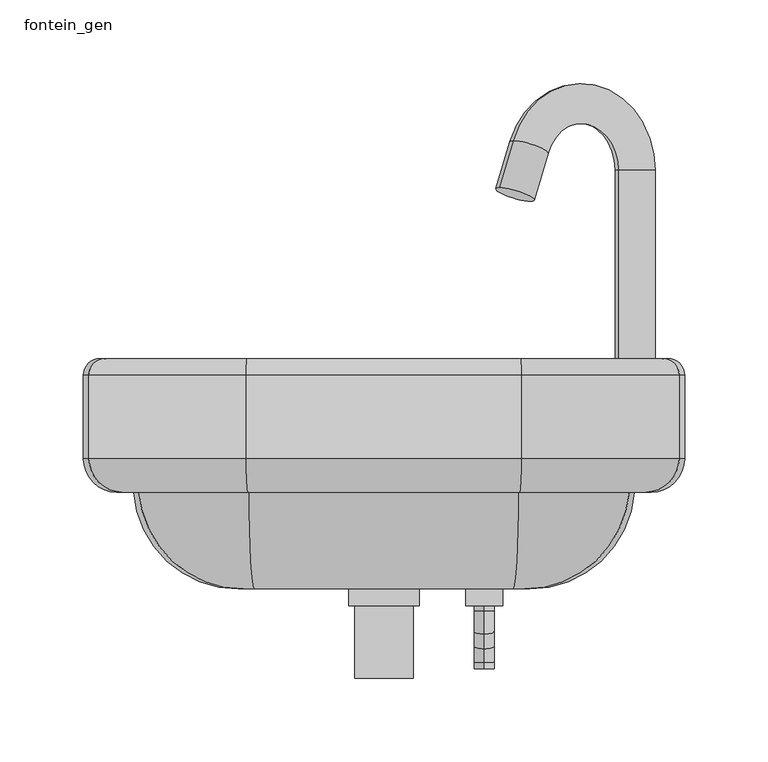
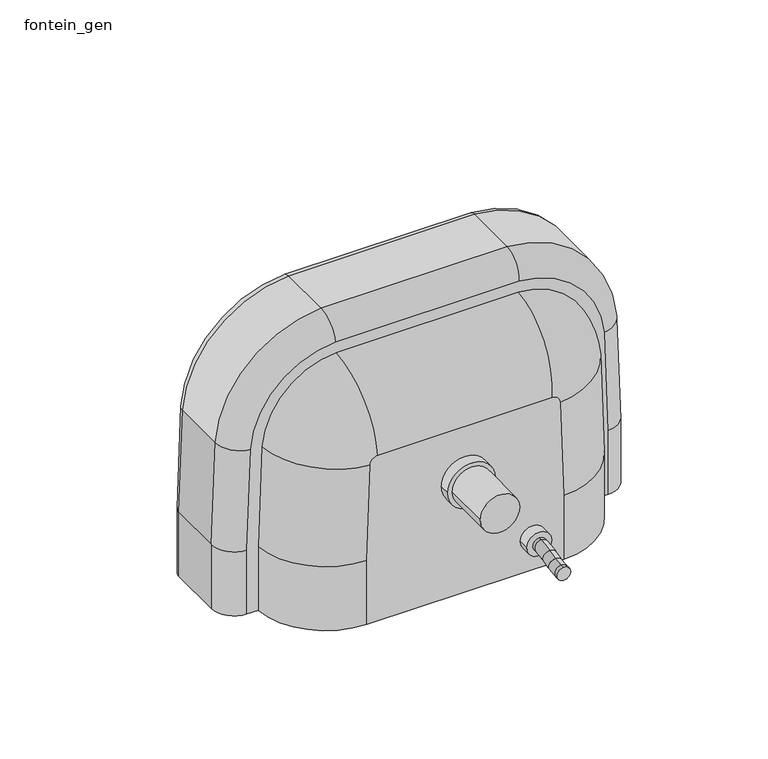
"""IFC4 building model written with IfcOpenShell, lengths in millimetres: flow terminal geometry, fontein_gen."""

from ifc_helpers import new_model, si_unit, point, frame, frame_2d, origin, place, context, project, spatial, polyline, circle_curve, ellipse_curve, trimmed, segment, composite_curve, outline, extrude, source, transform, mapped, element, save
from ifc_brep_helpers import plane_surface, cylinder_surface, revolved_surface, advanced_brep


def fontein_gen_40fc23e4(model_context):
    return source(origin(), model_context, "Body", "SolidModel", [
        extrude(outline(composite_curve([segment(trimmed(circle_curve(frame_2d((30.0, 60.0)), 11.0), [point((30.0, 49.0))], [point((30.0, 71.0))], False, "CARTESIAN"), True, "CONTINUOUS"), segment(trimmed(circle_curve(frame_2d((30.0, 60.0)), 11.0), [point((30.0, 71.0))], [point((30.0, 49.0))], False, "CARTESIAN"), True, "CONTINUOUS")], self_intersect=False)), frame((0.0, 60.0639125, 0.0), z_axis=(0.0, 1.0, 0.0), x_axis=(0.0, 0.0, 1.0)), (0.0, 0.0, 1.0), 10.0),
        extrude(outline(composite_curve([segment(trimmed(circle_curve(frame_2d((106.0, 0.0)), 21.0), [point((106.0, -21.0))], [point((106.0, 21.0))], False, "CARTESIAN"), True, "CONTINUOUS"), segment(trimmed(circle_curve(frame_2d((106.0, 0.0)), 21.0), [point((106.0, 21.0))], [point((106.0, -21.0))], False, "CARTESIAN"), True, "CONTINUOUS")], self_intersect=False)), frame((0.0, 60.0639125, 0.0), z_axis=(0.0, 1.0, 0.0), x_axis=(0.0, 0.0, 1.0)), (0.0, 0.0, 1.0), 10.0),
        advanced_brep(
        [(87.3560443, 70.0639125, 0.0), (-87.3560443, 70.0639125, 0.0), (-150.0, 128.0639125, 0.0), (-160.0, 128.0639125, 0.0), (-180.0, 148.0639125, 0.0), (-180.0, 198.0639125, 0.0), (-170.0, 208.0639125, 0.0), (170.0, 208.0639125, 0.0), (180.0, 198.0639125, 0.0), (180.0, 148.0639125, 0.0), (160.0, 128.0639125, 0.0), (150.0, 128.0639125, 0.0), (180.0, 198.0639125, 60.0), (180.0, 148.0639125, 60.0), (-170.0, 208.0639125, 60.0), (-166.7286829, 208.0639125, 154.1058858), (-81.9569, 208.0639125, 237.716655), (81.9569, 208.0639125, 237.716655), (166.7286829, 208.0639125, 154.1058858), (170.0, 208.0639125, 60.0), (156.833767, 208.0639125, 151.2566924), (81.0027474, 208.0639125, 228.3712082), (-81.0027474, 208.0639125, 228.3712082), (-156.833767, 208.0639125, 151.2566924), (-158.4609999, 208.0639125, 104.4461301), (-106.3160991, 208.0639125, 42.8733027), (106.3160991, 208.0639125, 42.8733027), (158.4609999, 208.0639125, 104.4461301), (-180.0, 148.0639125, 60.0), (-180.0, 198.0639125, 60.0), (87.3560443, 70.0639125, 60.0), (84.2842206, 70.0639125, 148.3670678), (77.3554984, 70.0639125, 155.2008958), (-77.3554984, 70.0639125, 155.2008958), (-84.2842206, 70.0639125, 148.3670678), (-87.3560443, 70.0639125, 60.0), (160.0, 128.0639125, 60.0), (156.7528218, 128.0639125, 153.4114832), (81.4001259, 128.0639125, 227.7321669), (-81.4001259, 128.0639125, 227.7321669), (-156.7528218, 128.0639125, 153.4114832), (-160.0, 128.0639125, 60.0), (-150.0, 128.0639125, 60.0), (-146.7769607, 128.0639125, 152.7170806), (-80.8433518, 128.0639125, 217.7476788), (80.8433518, 128.0639125, 217.7476788), (146.7769607, 128.0639125, 152.7170806), (150.0, 128.0639125, 60.0), (176.704544, 148.0639125, 154.8002885), (176.704544, 198.0639125, 154.8002885), (82.5136742, 148.0639125, 247.7011431), (82.5136742, 198.0639125, 247.7011431), (-82.5136742, 148.0639125, 247.7011431), (-82.5136742, 198.0639125, 247.7011431), (-176.704544, 148.0639125, 154.8002885), (-176.704544, 198.0639125, 154.8002885), (80.4876614, 198.0639125, 218.3844827), (146.8398036, 198.0639125, 150.9092814), (146.8398036, 173.0045292, 150.9092814), (80.4876614, 173.0045292, 218.3844827), (115.3496651, 141.49537, 149.8146184), (78.8646687, 141.49537, 186.9171503), (-80.4876614, 198.0639125, 218.3844827), (-80.4876614, 173.0045292, 218.3844827), (-78.8646687, 141.49537, 186.9171503), (-146.8398036, 198.0639125, 150.9092814), (-146.8398036, 173.0045292, 150.9092814), (-115.3496651, 141.49537, 149.8146184), (-148.4670365, 198.0639125, 104.0987191), (-148.4670365, 173.0045292, 104.0987191), (-116.9768979, 141.49537, 103.0040561), (-105.0129524, 198.0639125, 52.7880295), (-105.0129524, 173.0045292, 52.7880295), (-100.9068469, 141.49537, 84.0285002), (105.0129524, 198.0639125, 52.7880295), (105.0129524, 173.0045292, 52.7880295), (100.9068469, 141.49537, 84.0285002), (148.4670365, 198.0639125, 104.0987191), (148.4670365, 173.0045292, 104.0987191), (116.9768979, 141.49537, 103.0040561)],
        [
            (0, 1),
            (1, 2, circle_curve(frame((-87.3560443, 132.8937848, 0.0), z_axis=(0.0, 0.0, -1.0), x_axis=(1.0, 0.0, 0.0)), 62.8298723)),
            (2, 3),
            (3, 4, circle_curve(frame((-160.0, 148.0639125, 0.0), z_axis=(0.0, 0.0, -1.0), x_axis=(1.0, 0.0, 0.0)), 20.0)),
            (4, 5),
            (5, 6, circle_curve(frame((-170.0, 198.0639125, 0.0), z_axis=(0.0, 0.0, -1.0), x_axis=(1.0, 0.0, 0.0)), 10.0)),
            (6, 7),
            (7, 8, circle_curve(frame((170.0, 198.0639125, 0.0), z_axis=(0.0, 0.0, -1.0), x_axis=(-1.0, 0.0, 0.0)), 10.0)),
            (8, 9),
            (9, 10, circle_curve(frame((160.0, 148.0639125, 0.0), z_axis=(0.0, 0.0, -1.0), x_axis=(-1.0, 0.0, 0.0)), 20.0)),
            (10, 11),
            (11, 0, circle_curve(frame((87.3560443, 132.8937848, 0.0), z_axis=(0.0, 0.0, -1.0), x_axis=(-1.0, 0.0, 0.0)), 62.8298723)),
            (8, 12),
            (12, 13),
            (13, 9),
            (6, 14),
            (14, 15, circle_curve(frame((1185.2063417, 208.0639125, 60.0), z_axis=(0.0, 1.0, 0.0), x_axis=(-0.9975861114536935, 0.0, 0.06944026378621444)), 1355.2063417)),
            (15, 16, circle_curve(frame((-76.9459329, 208.0639125, 147.8562621), z_axis=(0.0, 1.0, 0.0), x_axis=(-0.05567741255508249, 0.0, 0.9984488097700208)), 90.0)),
            (16, 17, circle_curve(frame((0.0, 208.0639125, -1231.9954874), z_axis=(0.0, 1.0, 0.0), x_axis=(0.05567741255517684, 0.0, 0.9984488097700155)), 1471.9954874)),
            (17, 18, circle_curve(frame((76.9459329, 208.0639125, 147.8562621), z_axis=(0.0, 1.0, 0.0), x_axis=(0.9975861114536129, 0.0, 0.06944026378737289)), 90.0)),
            (18, 19, circle_curve(frame((-1185.2063416, 208.0639125, 60.0), z_axis=(0.0, 1.0, 0.0), x_axis=(1.0, 0.0, 0.0)), 1355.2063416)),
            (19, 7),
            (20, 21, circle_curve(frame((76.8820594, 208.0639125, 148.4774041), z_axis=(0.0, -1.0, 0.0), x_axis=(0.9993963456641886, 0.0, 0.03474110350961364)), 80.0)),
            (21, 22, circle_curve(frame((0.0, 208.0639125, -1342.1474997), z_axis=(0.0, -1.0, 0.0), x_axis=(0.05150860030189463, 0.0, 0.9986725509870288)), 1572.6062625)),
            (22, 23, circle_curve(frame((-76.8820594, 208.0639125, 148.4774041), z_axis=(0.0, -1.0, 0.0), x_axis=(-0.05150860030187896, 0.0, 0.9986725509870297)), 80.0)),
            (23, 24),
            (24, 25, circle_curve(frame((-98.4972192, 208.0639125, 102.3616639), z_axis=(0.0, -1.0, 0.0), x_axis=(-0.9993963456641877, 0.0, 0.034741103509640194)), 60.0)),
            (25, 26, circle_curve(frame((0.0, 208.0639125, 851.7577721), z_axis=(0.0, -1.0, 0.0), x_axis=(-0.13031466461683514, 0.0, -0.9914726865556115)), 815.8414048)),
            (26, 27, circle_curve(frame((98.4972192, 208.0639125, 102.3616639), z_axis=(0.0, -1.0, 0.0), x_axis=(0.13031466461684268, 0.0, -0.9914726865556105)), 60.0)),
            (27, 20),
            (4, 28),
            (28, 29),
            (29, 5),
            (0, 30),
            (30, 31, circle_curve(frame((-1185.2063416, 70.0639125, 60.0), z_axis=(0.0, -1.0, 0.0), x_axis=(1.0, 0.0, 0.0)), 1272.5623859)),
            (31, 32, circle_curve(frame((76.9459329, 70.0639125, 147.8562621), z_axis=(0.0, -1.0, 0.0), x_axis=(0.9975861114536129, 0.0, 0.06944026378737289)), 7.3560443)),
            (32, 33, circle_curve(frame((0.0, 70.0639125, -1231.9954874), z_axis=(0.0, -1.0, 0.0), x_axis=(0.05567741255517684, 0.0, 0.9984488097700155)), 1389.3515318)),
            (33, 34, circle_curve(frame((-76.9459329, 70.0639125, 147.8562621), z_axis=(0.0, -1.0, 0.0), x_axis=(-0.05567741255508249, 0.0, 0.9984488097700208)), 7.3560443)),
            (34, 35, circle_curve(frame((1185.2063417, 70.0639125, 60.0), z_axis=(0.0, -1.0, 0.0), x_axis=(-0.9975861114536935, 0.0, 0.06944026378621444)), 1272.562386)),
            (35, 1),
            (10, 36),
            (36, 37, circle_curve(frame((-1185.2063416, 128.0639125, 60.0), z_axis=(0.0, -1.0, 0.0), x_axis=(1.0, 0.0, 0.0)), 1345.2063416)),
            (37, 38, circle_curve(frame((76.9459329, 128.0639125, 147.8562621), z_axis=(0.0, -1.0, 0.0), x_axis=(0.9975861114536129, 0.0, 0.06944026378737289)), 80.0)),
            (38, 39, circle_curve(frame((0.0, 128.0639125, -1231.9954874), z_axis=(0.0, -1.0, 0.0), x_axis=(0.05567741255517684, 0.0, 0.9984488097700155)), 1461.9954874)),
            (39, 40, circle_curve(frame((-76.9459329, 128.0639125, 147.8562621), z_axis=(0.0, -1.0, 0.0), x_axis=(-0.05567741255508249, 0.0, 0.9984488097700208)), 80.0)),
            (40, 41, circle_curve(frame((1185.2063417, 128.0639125, 60.0), z_axis=(0.0, -1.0, 0.0), x_axis=(-0.9975861114536935, 0.0, 0.06944026378621444)), 1345.2063417)),
            (41, 3),
            (2, 42),
            (42, 43, circle_curve(frame((1185.2063417, 128.0639125, 60.0), z_axis=(0.0, 1.0, 0.0), x_axis=(-0.9975861114536935, 0.0, 0.06944026378621444)), 1335.2063417)),
            (43, 44, circle_curve(frame((-76.9459329, 128.0639125, 147.8562621), z_axis=(0.0, 1.0, 0.0), x_axis=(-0.05567741255508249, 0.0, 0.9984488097700208)), 70.0)),
            (44, 45, circle_curve(frame((0.0, 128.0639125, -1231.9954874), z_axis=(0.0, 1.0, 0.0), x_axis=(0.05567741255517684, 0.0, 0.9984488097700155)), 1451.9954874)),
            (45, 46, circle_curve(frame((76.9459329, 128.0639125, 147.8562621), z_axis=(0.0, 1.0, 0.0), x_axis=(0.9975861114536129, 0.0, 0.06944026378737289)), 70.0)),
            (46, 47, circle_curve(frame((-1185.2063416, 128.0639125, 60.0), z_axis=(0.0, 1.0, 0.0), x_axis=(1.0, 0.0, 0.0)), 1335.2063416)),
            (47, 11),
            (13, 36, circle_curve(frame((160.0, 148.0639125, 60.0), z_axis=(0.0, 0.0, -1.0), x_axis=(-1.0, 0.0, 0.0)), 20.0)),
            (19, 12, circle_curve(frame((170.0, 198.0639125, 60.0), z_axis=(0.0, 0.0, -1.0), x_axis=(-1.0, 0.0, 0.0)), 10.0)),
            (13, 48, circle_curve(frame((-1185.2063416, 148.0639125, 60.0), z_axis=(0.0, -1.0, 0.0), x_axis=(1.0, 0.0, 0.0)), 1365.2063416)),
            (48, 37, circle_curve(frame((156.7528218, 148.0639125, 153.4114832), z_axis=(0.06944026378737281, 0.0, -0.9975861114536129), x_axis=(-0.9975861114536129, 0.0, -0.06944026378737281)), 20.0)),
            (12, 49, circle_curve(frame((-1185.2063416, 198.0639125, 60.0), z_axis=(0.0, -1.0, 0.0), x_axis=(1.0, 0.0, 0.0)), 1365.2063416)),
            (49, 48),
            (18, 49, circle_curve(frame((166.7286829, 198.0639125, 154.1058858), z_axis=(0.06944026378737282, 0.0, -0.9975861114536129), x_axis=(-0.9975861114536129, 0.0, -0.06944026378737282)), 10.0)),
            (48, 50, circle_curve(frame((76.9459329, 148.0639125, 147.8562621), z_axis=(0.0, -1.0, 0.0), x_axis=(0.9975861114536129, 0.0, 0.06944026378737289)), 100.0)),
            (50, 38, circle_curve(frame((81.4001259, 148.0639125, 227.7321669), z_axis=(0.9984488097700155, 0.0, -0.05567741255517787), x_axis=(-0.05567741255517787, 0.0, -0.9984488097700155)), 20.0)),
            (49, 51, circle_curve(frame((76.9459329, 198.0639125, 147.8562621), z_axis=(0.0, -1.0, 0.0), x_axis=(0.9975861114536129, 0.0, 0.06944026378737289)), 100.0)),
            (51, 50),
            (17, 51, circle_curve(frame((81.9569, 198.0639125, 237.716655), z_axis=(0.9984488097700155, 0.0, -0.055677412555178094), x_axis=(-0.055677412555178094, 0.0, -0.9984488097700155)), 10.0)),
            (50, 52, circle_curve(frame((0.0, 148.0639125, -1231.9954874), z_axis=(0.0, -1.0, 0.0), x_axis=(0.05567741255517684, 0.0, 0.9984488097700155)), 1481.9954874)),
            (52, 39, circle_curve(frame((-81.4001259, 148.0639125, 227.7321669), z_axis=(0.9984488097700208, 0.0, 0.05567741255508202), x_axis=(0.05567741255508202, 0.0, -0.9984488097700208)), 20.0)),
            (51, 53, circle_curve(frame((0.0, 198.0639125, -1231.9954874), z_axis=(0.0, -1.0, 0.0), x_axis=(0.05567741255517684, 0.0, 0.9984488097700155)), 1481.9954874)),
            (53, 52),
            (16, 53, circle_curve(frame((-81.9569, 198.0639125, 237.716655), z_axis=(0.9984488097700208, 0.0, 0.055677412555082045), x_axis=(0.055677412555082045, 0.0, -0.9984488097700208)), 10.0)),
            (52, 54, circle_curve(frame((-76.9459329, 148.0639125, 147.8562621), z_axis=(0.0, -1.0, 0.0), x_axis=(-0.05567741255508249, 0.0, 0.9984488097700208)), 100.0)),
            (54, 40, circle_curve(frame((-156.7528218, 148.0639125, 153.4114832), z_axis=(0.06944026378621532, 0.0, 0.9975861114536934), x_axis=(0.9975861114536934, 0.0, -0.06944026378621532)), 20.0)),
            (53, 55, circle_curve(frame((-76.9459329, 198.0639125, 147.8562621), z_axis=(0.0, -1.0, 0.0), x_axis=(-0.05567741255508249, 0.0, 0.9984488097700208)), 100.0)),
            (55, 54),
            (15, 55, circle_curve(frame((-166.7286829, 198.0639125, 154.1058858), z_axis=(0.06944026378621466, 0.0, 0.9975861114536935), x_axis=(0.9975861114536935, 0.0, -0.06944026378621466)), 10.0)),
            (54, 28, circle_curve(frame((1185.2063417, 148.0639125, 60.0), z_axis=(0.0, -1.0, 0.0), x_axis=(-0.9975861114536935, 0.0, 0.06944026378621444)), 1365.2063417)),
            (28, 41, circle_curve(frame((-160.0, 148.0639125, 60.0), z_axis=(0.0, 0.0, 0.9999999999999999), x_axis=(0.9999999999999999, 0.0, 0.0)), 20.0)),
            (55, 29, circle_curve(frame((1185.2063417, 198.0639125, 60.0), z_axis=(0.0, -1.0, 0.0), x_axis=(-0.9975861114536935, 0.0, 0.06944026378621444)), 1365.2063417)),
            (14, 29, circle_curve(frame((-170.0, 198.0639125, 60.0), z_axis=(0.0, 0.0, 0.9999999999999999), x_axis=(0.9999999999999999, 0.0, 0.0)), 10.0)),
            (47, 30, circle_curve(frame((87.3560443, 132.8937848, 60.0), z_axis=(0.0, 0.0, -1.0), x_axis=(-1.0, 0.0, 0.0)), 62.8298723)),
            (46, 31, circle_curve(frame((84.2842206, 132.8937848, 148.3670678), z_axis=(0.06944026378737281, 0.0, -0.9975861114536129), x_axis=(-0.9975861114536129, 0.0, -0.06944026378737281)), 62.8298723)),
            (45, 32, circle_curve(frame((77.3554984, 132.8937848, 155.2008958), z_axis=(0.9984488097700155, 0.0, -0.055677412555178094), x_axis=(-0.055677412555178094, 0.0, -0.9984488097700155)), 62.8298723)),
            (44, 33, circle_curve(frame((-77.3554984, 132.8937848, 155.2008958), z_axis=(0.9984488097700208, 0.0, 0.05567741255508203), x_axis=(0.05567741255508203, 0.0, -0.9984488097700208)), 62.8298723)),
            (43, 34, circle_curve(frame((-84.2842206, 132.8937848, 148.3670678), z_axis=(0.06944026378621532, 0.0, 0.9975861114536934), x_axis=(0.9975861114536934, 0.0, -0.06944026378621532)), 62.8298723)),
            (42, 35, circle_curve(frame((-87.3560443, 132.8937848, 60.0), z_axis=(0.0, 0.0, 0.9999999999999999), x_axis=(0.9999999999999999, 0.0, 0.0)), 62.8298723)),
            (56, 21, circle_curve(frame((81.0027474, 198.0639125, 228.3712082), z_axis=(0.9986725509870287, 0.0, -0.05150860030189575), x_axis=(-0.05150860030189575, 0.0, -0.9986725509870287)), 10.0)),
            (20, 57, circle_curve(frame((156.833767, 198.0639125, 151.2566924), z_axis=(-0.03474110350961363, 0.0, 0.9993963456641886), x_axis=(-0.9993963456641886, 0.0, -0.03474110350961363)), 10.0)),
            (57, 56, circle_curve(frame((76.8820594, 198.0639125, 148.4774041), z_axis=(0.0, -1.0, 0.0), x_axis=(0.9993963456641886, 0.0, 0.03474110350961364)), 70.0)),
            (57, 58),
            (58, 59, circle_curve(frame((76.8820594, 173.0045292, 148.4774041), z_axis=(0.0, -1.0, 0.0), x_axis=(0.9993963456641886, 0.0, 0.03474110350961364)), 70.0)),
            (59, 56),
            (58, 60, circle_curve(frame((115.3496651, 173.0045292, 149.8146184), z_axis=(0.03474110350961363, 0.0, -0.9993963456641886), x_axis=(-0.9993963456641886, 0.0, -0.03474110350961363)), 31.5091592)),
            (60, 61, circle_curve(frame((76.8820594, 141.49537, 148.4774041), z_axis=(0.0, -1.0, 0.0), x_axis=(0.9993963456641886, 0.0, 0.03474110350961364)), 38.4908408)),
            (61, 59, circle_curve(frame((78.8646687, 173.0045292, 186.9171503), z_axis=(-0.9986725509870287, 0.0, 0.051508600301896426), x_axis=(-0.051508600301896426, 0.0, -0.9986725509870287)), 31.5091592)),
            (56, 62, circle_curve(frame((0.0, 198.0639125, -1342.1474997), z_axis=(0.0, -1.0, 0.0), x_axis=(0.05150860030189463, 0.0, 0.9986725509870288)), 1562.6062625)),
            (62, 22, circle_curve(frame((-81.0027474, 198.0639125, 228.3712082), z_axis=(0.9986725509870293, 0.0, 0.05150860030188331), x_axis=(0.05150860030188331, 0.0, -0.9986725509870293)), 10.0)),
            (59, 63, circle_curve(frame((0.0, 173.0045292, -1342.1474997), z_axis=(0.0, -1.0, 0.0), x_axis=(0.05150860030189463, 0.0, 0.9986725509870288)), 1562.6062625)),
            (63, 62),
            (61, 64, circle_curve(frame((0.0, 141.49537, -1342.1474997), z_axis=(0.0, -1.0, 0.0), x_axis=(0.05150860030189463, 0.0, 0.9986725509870288)), 1531.0971033)),
            (64, 63, circle_curve(frame((-78.8646687, 173.0045292, 186.9171503), z_axis=(-0.9986725509870293, 0.0, -0.05150860030188342), x_axis=(0.05150860030188342, 0.0, -0.9986725509870293)), 31.5091592)),
            (62, 65, circle_curve(frame((-76.8820594, 198.0639125, 148.4774041), z_axis=(0.0, -1.0, 0.0), x_axis=(-0.05150860030187896, 0.0, 0.9986725509870297)), 70.0)),
            (65, 23, circle_curve(frame((-156.833767, 198.0639125, 151.2566924), z_axis=(0.034741103509640874, 0.0, 0.9993963456641878), x_axis=(0.9993963456641878, 0.0, -0.034741103509640874)), 10.0)),
            (63, 66, circle_curve(frame((-76.8820594, 173.0045292, 148.4774041), z_axis=(0.0, -1.0, 0.0), x_axis=(-0.05150860030187896, 0.0, 0.9986725509870297)), 70.0)),
            (66, 65),
            (64, 67, circle_curve(frame((-76.8820594, 141.49537, 148.4774041), z_axis=(0.0, -1.0, 0.0), x_axis=(-0.05150860030187896, 0.0, 0.9986725509870297)), 38.4908408)),
            (67, 66, circle_curve(frame((-115.3496651, 173.0045292, 149.8146184), z_axis=(-0.034741103509635544, 0.0, -0.9993963456641879), x_axis=(0.9993963456641879, 0.0, -0.034741103509635544)), 31.5091592)),
            (65, 68),
            (68, 24, circle_curve(frame((-158.4609999, 198.0639125, 104.4461301), z_axis=(0.034741103509640194, 0.0, 0.9993963456641877), x_axis=(0.9993963456641877, 0.0, -0.034741103509640194)), 10.0)),
            (66, 69),
            (69, 68),
            (67, 70),
            (70, 69, circle_curve(frame((-116.9768979, 173.0045292, 103.0040561), z_axis=(-0.034741103509640194, 0.0, -0.9993963456641877), x_axis=(0.9993963456641877, 0.0, -0.034741103509640194)), 31.5091592)),
            (68, 71, circle_curve(frame((-98.4972192, 198.0639125, 102.3616639), z_axis=(0.0, -1.0, 0.0), x_axis=(-0.9993963456641877, 0.0, 0.034741103509640194)), 50.0)),
            (71, 25, circle_curve(frame((-106.3160991, 198.0639125, 42.8733027), z_axis=(-0.9914726865555983, 0.0, 0.13031466461693508), x_axis=(0.13031466461693508, 0.0, 0.9914726865555983)), 10.0)),
            (69, 72, circle_curve(frame((-98.4972192, 173.0045292, 102.3616639), z_axis=(0.0, -1.0, 0.0), x_axis=(-0.9993963456641877, 0.0, 0.034741103509640194)), 50.0)),
            (72, 71),
            (70, 73, circle_curve(frame((-98.4972192, 141.49537, 102.3616639), z_axis=(0.0, -1.0, 0.0), x_axis=(-0.9993963456641877, 0.0, 0.034741103509640194)), 18.4908408)),
            (73, 72, circle_curve(frame((-100.9068469, 173.0045292, 84.0285002), z_axis=(0.991472686555576, 0.0, -0.13031466461710592), x_axis=(0.13031466461710592, 0.0, 0.991472686555576)), 31.5091592)),
            (71, 74, circle_curve(frame((0.0, 198.0639125, 851.7577721), z_axis=(0.0, -1.0, 0.0), x_axis=(-0.13031466461683514, 0.0, -0.9914726865556115)), 805.8414048)),
            (74, 26, circle_curve(frame((106.3160991, 198.0639125, 42.8733027), z_axis=(-0.9914726865556098, 0.0, -0.1303146646168485), x_axis=(-0.1303146646168485, 0.0, 0.9914726865556098)), 10.0)),
            (72, 75, circle_curve(frame((0.0, 173.0045292, 851.7577721), z_axis=(0.0, -1.0, 0.0), x_axis=(-0.13031466461683514, 0.0, -0.9914726865556115)), 805.8414048)),
            (75, 74),
            (73, 76, circle_curve(frame((0.0, 141.49537, 851.7577721), z_axis=(0.0, -1.0, 0.0), x_axis=(-0.13031466461683514, 0.0, -0.9914726865556115)), 774.3322457)),
            (76, 75, circle_curve(frame((100.9068469, 173.0045292, 84.0285002), z_axis=(0.9914726865556097, 0.0, 0.13031466461684876), x_axis=(-0.13031466461684876, 0.0, 0.9914726865556097)), 31.5091592)),
            (74, 77, circle_curve(frame((98.4972192, 198.0639125, 102.3616639), z_axis=(0.0, -1.0, 0.0), x_axis=(0.13031466461684268, 0.0, -0.9914726865556105)), 50.0)),
            (77, 27, circle_curve(frame((158.4609999, 198.0639125, 104.4461301), z_axis=(0.034741103509620105, 0.0, -0.9993963456641883), x_axis=(-0.9993963456641883, 0.0, -0.034741103509620105)), 10.0)),
            (75, 78, circle_curve(frame((98.4972192, 173.0045292, 102.3616639), z_axis=(0.0, -1.0, 0.0), x_axis=(0.13031466461684268, 0.0, -0.9914726865556105)), 50.0)),
            (78, 77),
            (76, 79, circle_curve(frame((98.4972192, 141.49537, 102.3616639), z_axis=(0.0, -1.0, 0.0), x_axis=(0.13031466461684268, 0.0, -0.9914726865556105)), 18.4908408)),
            (79, 78, circle_curve(frame((116.9768979, 173.0045292, 103.0040561), z_axis=(-0.03474110350963208, 0.0, 0.9993963456641879), x_axis=(-0.9993963456641879, 0.0, -0.03474110350963208)), 31.5091592)),
            (77, 57),
            (78, 58),
            (79, 60),
        ],
        [
            plane_surface(frame((180.0, 70.0639125, 0.0), z_axis=(0.0, 0.0, -1.0), x_axis=(0.0, -1.0, 0.0))),
            plane_surface(frame((180.0, 70.0639125, 250.0), z_axis=(1.0, 0.0, 0.0), x_axis=(0.0, 0.0, -1.0))),
            plane_surface(frame((180.0, 208.0639125, 250.0), z_axis=(0.0, 1.0, 0.0), x_axis=(0.0, 0.0, -1.0))),
            plane_surface(frame((-180.0, 208.0639125, 250.0), z_axis=(-1.0, 0.0, 0.0), x_axis=(0.0, 0.0, -1.0))),
            plane_surface(frame((-180.0, 70.0639125, 250.0), z_axis=(0.0, -1.0, 0.0), x_axis=(0.0, 0.0, -1.0))),
            plane_surface(frame((150.0, 128.0639125, 0.0), z_axis=(0.0, -1.0, 0.0), x_axis=(0.0, 0.0, 1.0))),
            cylinder_surface(frame((160.0, 148.0639125, 0.0), z_axis=(0.0, 0.0, 1.0), x_axis=(-1.0, 0.0, 0.0)), 20.0),
            cylinder_surface(frame((170.0, 198.0639125, 0.0), z_axis=(0.0, 0.0, 1.0), x_axis=(-1.0, 0.0, 0.0)), 10.0),
            revolved_surface(trimmed(ellipse_curve(frame((160.0, 148.0639125, 60.0), z_axis=(0.0, 0.0, -1.0), x_axis=(-1.0, 0.0, 0.0)), 20.0, 20.0), [point((180.0, 148.0639125, 60.0))], [point((160.0, 128.0639125, 60.0))], True, "CARTESIAN"), (-1185.2063416, 208.0639125, 60.0), (0.0, -1.0, 0.0)),
            cylinder_surface(frame((-1185.2063416, 208.0639125, 60.0), z_axis=(0.0, -1.0, 0.0), x_axis=(1.0, 0.0, 0.0)), 1365.2063416),
            revolved_surface(trimmed(ellipse_curve(frame((170.0, 198.0639125, 60.0), z_axis=(0.0, 0.0, -1.0), x_axis=(-1.0, 0.0, 0.0)), 10.0, 10.0), [point((170.0, 208.0639125, 60.0))], [point((180.0, 198.0639125, 60.0))], True, "CARTESIAN"), (-1185.2063416, 208.0639125, 60.0), (0.0, -1.0, 0.0)),
            revolved_surface(trimmed(ellipse_curve(frame((156.7528218, 148.0639125, 153.4114832), z_axis=(0.06944026378737288, 0.0, -0.9975861114536129), x_axis=(-0.9975861114536129, 0.0, -0.06944026378737288)), 20.0, 20.0), [point((176.704544, 148.0639125, 154.8002885))], [point((156.7528218, 128.0639125, 153.4114832))], True, "CARTESIAN"), (76.9459329, 208.0639125, 147.8562621), (0.0, -1.0, 0.0)),
            cylinder_surface(frame((76.9459329, 208.0639125, 147.8562621), z_axis=(0.0, -1.0, 0.0), x_axis=(0.9975861114536129, 0.0, 0.06944026378737289)), 100.0),
            revolved_surface(trimmed(ellipse_curve(frame((166.7286829, 198.0639125, 154.1058858), z_axis=(0.06944026378737288, 0.0, -0.9975861114536129), x_axis=(-0.9975861114536129, 0.0, -0.06944026378737288)), 10.0, 10.0), [point((166.7286829, 208.0639125, 154.1058858))], [point((176.704544, 198.0639125, 154.8002885))], True, "CARTESIAN"), (76.9459329, 208.0639125, 147.8562621), (0.0, -1.0, 0.0)),
            revolved_surface(trimmed(ellipse_curve(frame((81.4001259, 148.0639125, 227.7321669), z_axis=(0.9984488097700155, 0.0, -0.05567741255517685), x_axis=(-0.05567741255517685, 0.0, -0.9984488097700155)), 20.0, 20.0), [point((82.5136742, 148.0639125, 247.7011431))], [point((81.4001259, 128.0639125, 227.7321669))], True, "CARTESIAN"), (0.0, 208.0639125, -1231.9954874), (0.0, -1.0, 0.0)),
            cylinder_surface(frame((0.0, 208.0639125, -1231.9954874), z_axis=(0.0, -1.0, 0.0), x_axis=(0.05567741255517684, 0.0, 0.9984488097700155)), 1481.9954874),
            revolved_surface(trimmed(ellipse_curve(frame((81.9569, 198.0639125, 237.716655), z_axis=(0.9984488097700155, 0.0, -0.05567741255517685), x_axis=(-0.05567741255517685, 0.0, -0.9984488097700155)), 10.0, 10.0), [point((81.9569, 208.0639125, 237.716655))], [point((82.5136742, 198.0639125, 247.7011431))], True, "CARTESIAN"), (0.0, 208.0639125, -1231.9954874), (0.0, -1.0, 0.0)),
            revolved_surface(trimmed(ellipse_curve(frame((-81.4001259, 148.0639125, 227.7321669), z_axis=(0.9984488097700208, 0.0, 0.05567741255508249), x_axis=(0.05567741255508249, 0.0, -0.9984488097700208)), 20.0, 20.0), [point((-82.5136742, 148.0639125, 247.7011431))], [point((-81.4001259, 128.0639125, 227.7321669))], True, "CARTESIAN"), (-76.9459329, 208.0639125, 147.8562621), (0.0, -1.0, 0.0)),
            cylinder_surface(frame((-76.9459329, 208.0639125, 147.8562621), z_axis=(0.0, -1.0, 0.0), x_axis=(-0.05567741255508249, 0.0, 0.9984488097700208)), 100.0),
            revolved_surface(trimmed(ellipse_curve(frame((-81.9569, 198.0639125, 237.716655), z_axis=(0.9984488097700208, 0.0, 0.05567741255508249), x_axis=(0.05567741255508249, 0.0, -0.9984488097700208)), 10.0, 10.0), [point((-81.9569, 208.0639125, 237.716655))], [point((-82.5136742, 198.0639125, 247.7011431))], True, "CARTESIAN"), (-76.9459329, 208.0639125, 147.8562621), (0.0, -1.0, 0.0)),
            revolved_surface(trimmed(ellipse_curve(frame((-156.7528218, 148.0639125, 153.4114832), z_axis=(0.06944026378621454, 0.0, 0.9975861114536935), x_axis=(0.9975861114536935, 0.0, -0.06944026378621454)), 20.0, 20.0), [point((-176.704544, 148.0639125, 154.8002885))], [point((-156.7528218, 128.0639125, 153.4114832))], True, "CARTESIAN"), (1185.2063417, 208.0639125, 60.0), (0.0, -1.0, 0.0)),
            cylinder_surface(frame((1185.2063417, 208.0639125, 60.0), z_axis=(0.0, -1.0, 0.0), x_axis=(-0.9975861114536935, 0.0, 0.06944026378621444)), 1365.2063417),
            revolved_surface(trimmed(ellipse_curve(frame((-166.7286829, 198.0639125, 154.1058858), z_axis=(0.06944026378621454, 0.0, 0.9975861114536935), x_axis=(0.9975861114536935, 0.0, -0.06944026378621454)), 10.0, 10.0), [point((-166.7286829, 208.0639125, 154.1058858))], [point((-176.704544, 198.0639125, 154.8002885))], True, "CARTESIAN"), (1185.2063417, 208.0639125, 60.0), (0.0, -1.0, 0.0)),
            cylinder_surface(frame((-160.0, 148.0639125, 60.0), z_axis=(0.0, 0.0, -1.0), x_axis=(1.0, 0.0, 0.0)), 20.0),
            cylinder_surface(frame((-170.0, 198.0639125, 60.0), z_axis=(0.0, 0.0, -1.0), x_axis=(1.0, 0.0, 0.0)), 10.0),
            cylinder_surface(frame((87.3560443, 132.8937848, 0.0), z_axis=(0.0, 0.0, 1.0), x_axis=(-1.0, 0.0, 0.0)), 62.8298723),
            revolved_surface(trimmed(ellipse_curve(frame((87.3560443, 132.8937848, 60.0), z_axis=(0.0, 0.0, -1.0), x_axis=(-1.0, 0.0, 0.0)), 62.8298723, 62.8298723), [point((150.0, 128.0639125, 60.0))], [point((87.3560443, 70.0639125, 60.0))], True, "CARTESIAN"), (-1185.2063416, 208.0639125, 60.0), (0.0, -1.0, 0.0)),
            revolved_surface(trimmed(ellipse_curve(frame((84.2842206, 132.8937848, 148.3670678), z_axis=(0.06944026378737288, 0.0, -0.9975861114536129), x_axis=(-0.9975861114536129, 0.0, -0.06944026378737288)), 62.8298723, 62.8298723), [point((146.7769607, 128.0639125, 152.7170806))], [point((84.2842206, 70.0639125, 148.3670678))], True, "CARTESIAN"), (76.9459329, 208.0639125, 147.8562621), (0.0, -1.0, 0.0)),
            revolved_surface(trimmed(ellipse_curve(frame((77.3554984, 132.8937848, 155.2008958), z_axis=(0.9984488097700155, 0.0, -0.05567741255517685), x_axis=(-0.05567741255517685, 0.0, -0.9984488097700155)), 62.8298723, 62.8298723), [point((80.8433518, 128.0639125, 217.7476788))], [point((77.3554984, 70.0639125, 155.2008958))], True, "CARTESIAN"), (0.0, 208.0639125, -1231.9954874), (0.0, -1.0, 0.0)),
            revolved_surface(trimmed(ellipse_curve(frame((-77.3554984, 132.8937848, 155.2008958), z_axis=(0.9984488097700208, 0.0, 0.05567741255508249), x_axis=(0.05567741255508249, 0.0, -0.9984488097700208)), 62.8298723, 62.8298723), [point((-80.8433518, 128.0639125, 217.7476788))], [point((-77.3554984, 70.0639125, 155.2008958))], True, "CARTESIAN"), (-76.9459329, 208.0639125, 147.8562621), (0.0, -1.0, 0.0)),
            revolved_surface(trimmed(ellipse_curve(frame((-84.2842206, 132.8937848, 148.3670678), z_axis=(0.06944026378621454, 0.0, 0.9975861114536935), x_axis=(0.9975861114536935, 0.0, -0.06944026378621454)), 62.8298723, 62.8298723), [point((-146.7769607, 128.0639125, 152.7170806))], [point((-84.2842206, 70.0639125, 148.3670678))], True, "CARTESIAN"), (1185.2063417, 208.0639125, 60.0), (0.0, -1.0, 0.0)),
            cylinder_surface(frame((-87.3560443, 132.8937848, 60.0), z_axis=(0.0, 0.0, -1.0), x_axis=(1.0, 0.0, 0.0)), 62.8298723),
            revolved_surface(trimmed(ellipse_curve(frame((156.833767, 198.0639125, 151.2566924), z_axis=(0.03474110350961363, 0.0, -0.9993963456641886), x_axis=(-0.9993963456641886, 0.0, -0.03474110350961363)), 10.0, 10.0), [point((146.8398036, 198.0639125, 150.9092814))], [point((156.833767, 208.0639125, 151.2566924))], True, "CARTESIAN"), (76.8820594, 208.0639125, 148.4774041), (0.0, -1.0, 0.0)),
            revolved_surface(polyline([(146.8398035964932, 173.0045292, 150.90928134567295), (146.8398035964932, 198.0639125, 150.90928134567295)]), (76.8820594, 208.0639125, 148.4774041), (0.0, -1.0, 0.0)),
            revolved_surface(trimmed(ellipse_curve(frame((115.3496651, 173.0045292, 149.8146184), z_axis=(-0.03474110350961363, 0.0, 0.9993963456641886), x_axis=(-0.9993963456641886, 0.0, -0.03474110350961363)), 31.5091592, 31.5091592), [point((115.3496651, 141.49537, 149.8146184))], [point((146.8398036, 173.0045292, 150.9092814))], True, "CARTESIAN"), (76.8820594, 208.0639125, 148.4774041), (0.0, -1.0, 0.0)),
            revolved_surface(trimmed(ellipse_curve(frame((81.0027474, 198.0639125, 228.3712082), z_axis=(0.9986725509870288, 0.0, -0.05150860030189463), x_axis=(-0.05150860030189463, 0.0, -0.9986725509870288)), 10.0, 10.0), [point((80.4876614, 198.0639125, 218.3844827))], [point((81.0027474, 208.0639125, 228.3712082))], True, "CARTESIAN"), (0.0, 208.0639125, -1342.1474997), (0.0, -1.0, 0.0)),
            revolved_surface(polyline([(80.48766140434994, 173.0045292, 218.38448265918169), (80.48766140434994, 198.0639125, 218.38448265918169)]), (0.0, 208.0639125, -1342.1474997), (0.0, -1.0, 0.0)),
            revolved_surface(trimmed(ellipse_curve(frame((78.8646687, 173.0045292, 186.9171503), z_axis=(-0.9986725509870288, 0.0, 0.05150860030189463), x_axis=(-0.05150860030189463, 0.0, -0.9986725509870288)), 31.5091592, 31.5091592), [point((78.8646687, 141.49537, 186.9171503))], [point((80.4876614, 173.0045292, 218.3844827))], True, "CARTESIAN"), (0.0, 208.0639125, -1342.1474997), (0.0, -1.0, 0.0)),
            revolved_surface(trimmed(ellipse_curve(frame((-81.0027474, 198.0639125, 228.3712082), z_axis=(0.9986725509870297, 0.0, 0.051508600301878975), x_axis=(0.051508600301878975, 0.0, -0.9986725509870297)), 10.0, 10.0), [point((-80.4876614, 198.0639125, 218.3844827))], [point((-81.0027474, 208.0639125, 228.3712082))], True, "CARTESIAN"), (-76.8820594, 208.0639125, 148.4774041), (0.0, -1.0, 0.0)),
            revolved_surface(polyline([(-80.48766142113153, 173.0045292, 218.38448266909208), (-80.48766142113153, 198.0639125, 218.38448266909208)]), (-76.8820594, 208.0639125, 148.4774041), (0.0, -1.0, 0.0)),
            revolved_surface(trimmed(ellipse_curve(frame((-78.8646687, 173.0045292, 186.9171503), z_axis=(-0.9986725509870297, 0.0, -0.051508600301878975), x_axis=(0.051508600301878975, 0.0, -0.9986725509870297)), 31.5091592, 31.5091592), [point((-78.8646687, 141.49537, 186.9171503))], [point((-80.4876614, 173.0045292, 218.3844827))], True, "CARTESIAN"), (-76.8820594, 208.0639125, 148.4774041), (0.0, -1.0, 0.0)),
            cylinder_surface(frame((-156.833767, 198.0639125, 151.2566924), z_axis=(-0.034741103509640194, 0.0, -0.9993963456641877), x_axis=(0.9993963456641877, 0.0, -0.034741103509640194)), 10.0),
            plane_surface(frame((-146.8398036, 198.0639125, 150.9092814), z_axis=(0.9993963456641878, 0.0, -0.034741103509640325), x_axis=(-0.034741103509640325, 0.0, -0.9993963456641878))),
            revolved_surface(polyline([(-83.8595265391524, 173.0045292, 148.71995547947884), (-85.48675941686665, 173.0045292, 101.90939314138333)]), (-115.3496651, 173.0045292, 149.8146184), (0.034741103509640194, 0.0, 0.9993963456641877)),
            revolved_surface(trimmed(ellipse_curve(frame((-158.4609999, 198.0639125, 104.4461301), z_axis=(0.0347411035096402, 0.0, 0.9993963456641877), x_axis=(0.9993963456641877, 0.0, -0.0347411035096402)), 10.0, 10.0), [point((-148.4670365, 198.0639125, 104.0987191))], [point((-158.4609999, 208.0639125, 104.4461301))], True, "CARTESIAN"), (-98.4972192, 208.0639125, 102.3616639), (0.0, -1.0, 0.0)),
            revolved_surface(polyline([(-148.46703648320937, 173.0045292, 104.09871907548201), (-148.46703648320937, 198.0639125, 104.09871907548201)]), (-98.4972192, 208.0639125, 102.3616639), (0.0, -1.0, 0.0)),
            revolved_surface(trimmed(ellipse_curve(frame((-116.9768979, 173.0045292, 103.0040561), z_axis=(-0.0347411035096402, 0.0, -0.9993963456641877), x_axis=(0.9993963456641877, 0.0, -0.0347411035096402)), 31.5091592, 31.5091592), [point((-116.9768979, 141.49537, 103.0040561))], [point((-148.4670365, 173.0045292, 104.0987191))], True, "CARTESIAN"), (-98.4972192, 208.0639125, 102.3616639), (0.0, -1.0, 0.0)),
            revolved_surface(trimmed(ellipse_curve(frame((-106.3160991, 198.0639125, 42.8733027), z_axis=(-0.9914726865556115, 0.0, 0.13031466461683514), x_axis=(0.13031466461683514, 0.0, 0.9914726865556115)), 10.0, 10.0), [point((-105.0129524, 198.0639125, 52.7880295))], [point((-106.3160991, 208.0639125, 42.8733027))], True, "CARTESIAN"), (0.0, 208.0639125, 851.7577721), (0.0, -1.0, 0.0)),
            revolved_surface(polyline([(-105.01295240087127, 173.0045292, 52.78802954519597), (-105.01295240087127, 198.0639125, 52.78802954519597)]), (0.0, 208.0639125, 851.7577721), (0.0, -1.0, 0.0)),
            revolved_surface(trimmed(ellipse_curve(frame((-100.9068469, 173.0045292, 84.0285002), z_axis=(0.9914726865556115, 0.0, -0.13031466461683514), x_axis=(0.13031466461683514, 0.0, 0.9914726865556115)), 31.5091592, 31.5091592), [point((-100.9068469, 141.49537, 84.0285002))], [point((-105.0129524, 173.0045292, 52.7880295))], True, "CARTESIAN"), (0.0, 208.0639125, 851.7577721), (0.0, -1.0, 0.0)),
            revolved_surface(trimmed(ellipse_curve(frame((106.3160991, 198.0639125, 42.8733027), z_axis=(-0.9914726865556105, 0.0, -0.1303146646168427), x_axis=(-0.1303146646168427, 0.0, 0.9914726865556105)), 10.0, 10.0), [point((105.0129524, 198.0639125, 52.7880295))], [point((106.3160991, 208.0639125, 42.8733027))], True, "CARTESIAN"), (98.4972192, 208.0639125, 102.3616639), (0.0, -1.0, 0.0)),
            revolved_surface(polyline([(105.01295243084213, 173.0045292, 52.78802957221947), (105.01295243084213, 198.0639125, 52.78802957221947)]), (98.4972192, 208.0639125, 102.3616639), (0.0, -1.0, 0.0)),
            revolved_surface(trimmed(ellipse_curve(frame((100.9068469, 173.0045292, 84.0285002), z_axis=(0.9914726865556105, 0.0, 0.1303146646168427), x_axis=(-0.1303146646168427, 0.0, 0.9914726865556105)), 31.5091592, 31.5091592), [point((100.9068469, 141.49537, 84.0285002))], [point((105.0129524, 173.0045292, 52.7880295))], True, "CARTESIAN"), (98.4972192, 208.0639125, 102.3616639), (0.0, -1.0, 0.0)),
            cylinder_surface(frame((158.4609999, 198.0639125, 104.4461301), z_axis=(-0.03474110350961972, 0.0, 0.9993963456641886), x_axis=(-0.9993963456641886, 0.0, -0.03474110350961972)), 10.0),
            plane_surface(frame((148.4670365, 198.0639125, 104.0987191), z_axis=(-0.9993963456641884, 0.0, -0.034741103509619585), x_axis=(-0.034741103509619585, 0.0, 0.9993963456641884))),
            revolved_surface(polyline([(85.48675934056887, 173.0045292, 101.90939313873133), (83.85952646285554, 173.0045292, 148.71995547682792)]), (116.9768979, 173.0045292, 103.0040561), (0.03474110350961972, 0.0, -0.9993963456641886)),
            plane_surface(frame((116.9768979, 141.49537, 103.0040561), z_axis=(0.0, 1.0, 0.0), x_axis=(-0.034741103509619384, 0.0, 0.9993963456641884))),
        ],
        [
            (0, [[1, 2, 3, 4, 5, 6, 7, 8, 9, 10, 11, 12]]),
            (1, [[-9, 13, 14, 15]]),
            (2, [[-7, 16, 17, 18, 19, 20, 21, 22], [23, 24, 25, 26, 27, 28, 29, 30]]),
            (3, [[-5, 31, 32, 33]]),
            (4, [[-1, 34, 35, 36, 37, 38, 39, 40]]),
            (5, [[41, 42, 43, 44, 45, 46, 47, -3, 48, 49, 50, 51, 52, 53, 54, -11]]),
            (6, [[-41, -10, -15, 55]]),
            (7, [[56, -13, -8, -22]]),
            (8, [[-42, -55, 57, 58]]),
            (9, [[-57, -14, 59, 60]]),
            (10, [[-56, -21, 61, -59]]),
            (11, [[-43, -58, 62, 63]]),
            (12, [[-60, 64, 65, -62]]),
            (13, [[-61, -20, 66, -64]]),
            (14, [[-44, -63, 67, 68]]),
            (15, [[-65, 69, 70, -67]]),
            (16, [[-66, -19, 71, -69]]),
            (17, [[-45, -68, 72, 73]]),
            (18, [[-70, 74, 75, -72]]),
            (19, [[-71, -18, 76, -74]]),
            (20, [[-46, -73, 77, 78]]),
            (21, [[-75, 79, -32, -77]]),
            (22, [[-76, -17, 80, -79]]),
            (23, [[-47, -78, -31, -4]]),
            (24, [[-80, -16, -6, -33]]),
            (25, [[-54, 81, -34, -12]]),
            (26, [[-53, 82, -35, -81]]),
            (27, [[-52, 83, -36, -82]]),
            (28, [[-51, 84, -37, -83]]),
            (29, [[-50, 85, -38, -84]]),
            (30, [[-49, 86, -39, -85]]),
            (31, [[-48, -2, -40, -86]]),
            (32, [[87, -23, 88, 89]]),
            (33, [[-89, 90, 91, 92]]),
            (34, [[-91, 93, 94, 95]]),
            (35, [[-87, 96, 97, -24]]),
            (36, [[-92, 98, 99, -96]]),
            (37, [[-95, 100, 101, -98]]),
            (38, [[-97, 102, 103, -25]]),
            (39, [[-99, 104, 105, -102]]),
            (40, [[-101, 106, 107, -104]]),
            (41, [[-103, 108, 109, -26]]),
            (42, [[-105, 110, 111, -108]]),
            (43, [[-107, 112, 113, -110]]),
            (44, [[-109, 114, 115, -27]]),
            (45, [[-111, 116, 117, -114]]),
            (46, [[-113, 118, 119, -116]]),
            (47, [[-115, 120, 121, -28]]),
            (48, [[-117, 122, 123, -120]]),
            (49, [[-119, 124, 125, -122]]),
            (50, [[-121, 126, 127, -29]]),
            (51, [[-123, 128, 129, -126]]),
            (52, [[-125, 130, 131, -128]]),
            (53, [[-88, -30, -127, 132]]),
            (54, [[-90, -132, -129, 133]]),
            (55, [[-93, -133, -131, 134]]),
            (56, [[-94, -134, -130, -124, -118, -112, -106, -100]]),
        ],
    ),
        advanced_brep(
        [(160.2821374, 208.0639125, 33.1170828), (140.6224884, 208.0639125, 46.8829172), (160.2821374, 320.821926, 33.1170828), (140.6224884, 320.821926, 46.8829172), (96.1331994, 330.39849, 78.0346527), (77.6591723, 338.6069734, 90.9703058), (69.2541773, 310.4161948, 96.8555466), (87.7282045, 302.2077114, 83.9198936)],
        [
            (0, 1, circle_curve(frame((150.4523129, 208.0639125, 40.0), z_axis=(0.0, -1.0, 0.0), x_axis=(-0.8191520442889958, 0.0, 0.5735764363510405)), 12.0)),
            (1, 0, circle_curve(frame((150.4523129, 208.0639125, 40.0), z_axis=(0.0, -1.0, 0.0), x_axis=(-0.8191520442889958, 0.0, 0.5735764363510405)), 12.0)),
            (0, 2),
            (2, 3, circle_curve(frame((150.4523129, 320.821926, 40.0), z_axis=(0.0, -1.0, 0.0), x_axis=(-0.8191520442889958, 0.0, 0.5735764363510405)), 12.0)),
            (3, 1),
            (3, 2, circle_curve(frame((150.4523129, 320.821926, 40.0), z_axis=(0.0, -1.0, 0.0), x_axis=(-0.8191520442889958, 0.0, 0.5735764363510405)), 12.0)),
            (4, 3, circle_curve(frame((117.6862311, 320.821926, 62.9430575), z_axis=(-0.5735764363510405, 0.0, -0.8191520442889958), x_axis=(0.8191520442889958, 0.0, -0.5735764363510405)), 28.0)),
            (2, 5, circle_curve(frame((117.6862311, 320.821926, 62.9430575), z_axis=(0.5735764363510405, 0.0, 0.8191520442889958), x_axis=(0.8191520442889958, 0.0, -0.5735764363510405)), 52.0)),
            (5, 4, circle_curve(frame((86.8961859, 334.5027317, 84.5024792), z_axis=(0.2801664995932417, 0.9396926207859062, -0.19617469496901258), x_axis=(0.7697511313200592, -0.34202014332567465, -0.5389855446957498)), 12.0)),
            (4, 5, circle_curve(frame((86.8961859, 334.5027317, 84.5024792), z_axis=(0.2801664995932431, 0.9396926207859057, -0.19617469496901352), x_axis=(0.7697511313200587, -0.3420201433256763, -0.5389855446957494)), 12.0)),
            (6, 7, circle_curve(frame((78.4911909, 306.3119531, 90.3877201), z_axis=(-0.2801664995932409, -0.9396926207859067, 0.196174694969012), x_axis=(0.7697511313200595, -0.3420201433256737, -0.5389855446957501)), 12.0)),
            (7, 6, circle_curve(frame((78.4911909, 306.3119531, 90.3877201), z_axis=(-0.2801664995932409, -0.9396926207859067, 0.196174694969012), x_axis=(0.7697511313200595, -0.3420201433256737, -0.5389855446957501)), 12.0)),
            (5, 6),
            (7, 4),
        ],
        [
            plane_surface(frame((150.4523129, 208.0639125, 40.0), z_axis=(0.0, -1.0, 0.0), x_axis=(0.5735764363510405, 0.0, 0.8191520442889958))),
            cylinder_surface(frame((150.4523129, 208.0639125, 40.0), z_axis=(0.0, -1.0, 0.0), x_axis=(-0.8191520442889958, 0.0, 0.5735764363510405)), 12.0),
            revolved_surface(trimmed(ellipse_curve(frame((150.4523129, 320.821926, 40.0), z_axis=(0.0, -1.0, 0.0), x_axis=(-0.8191520442889958, 0.0, 0.5735764363510405)), 12.0, 12.0), [point((160.2821374, 320.821926, 33.1170828))], [point((140.6224884, 320.821926, 46.8829172))], True, "CARTESIAN"), (117.6862311, 320.821926, 62.9430575), (0.5735764363510405, 0.0, 0.8191520442889958)),
            revolved_surface(trimmed(ellipse_curve(frame((150.4523129, 320.821926, 40.0), z_axis=(0.0, -1.0, 0.0), x_axis=(-0.8191520442889958, 0.0, 0.5735764363510405)), 12.0, 12.0), [point((140.6224884, 320.821926, 46.8829172))], [point((160.2821374, 320.821926, 33.1170828))], True, "CARTESIAN"), (117.6862311, 320.821926, 62.9430575), (0.5735764363510405, 0.0, 0.8191520442889958)),
            plane_surface(frame((78.4911909, 306.3119531, 90.3877201), z_axis=(-0.2801664995932409, -0.9396926207859069, 0.19617469496901202), x_axis=(0.5735764363510407, 0.0, 0.8191520442889957))),
            cylinder_surface(frame((86.8961859, 334.5027317, 84.5024792), z_axis=(0.2801664995932409, 0.9396926207859067, -0.196174694969012), x_axis=(0.7697511313200595, -0.3420201433256737, -0.5389855446957501)), 12.0),
        ],
        [
            (0, [[1, 2]]),
            (1, [[-1, 3, 4, 5]]),
            (1, [[-2, -5, 6, -3]]),
            (2, [[7, -4, 8, 9]]),
            (3, [[-8, -6, -7, 10]]),
            (4, [[11, 12]]),
            (5, [[-9, 13, -12, 14]]),
            (5, [[-10, -14, -11, -13]]),
        ],
    ),
        extrude(outline(composite_curve([segment(trimmed(circle_curve(frame_2d((106.0, 0.0)), 17.5), [point((106.0, -17.5))], [point((106.0, 17.5))], False, "CARTESIAN"), True, "CONTINUOUS"), segment(trimmed(circle_curve(frame_2d((106.0, 0.0)), 17.5), [point((106.0, 17.5))], [point((106.0, -17.5))], False, "CARTESIAN"), True, "CONTINUOUS")], self_intersect=False)), frame((0.0, 16.4775836, 0.0), z_axis=(0.0, 1.0, 0.0), x_axis=(0.0, 0.0, 1.0)), (0.0, 0.0, 1.0), 43.5863289),
        advanced_brep(
        [(60.0, 60.0639125, 36.0), (60.0, 60.0639125, 24.0), (60.0, 56.9550263, 36.0), (60.0, 56.9550263, 24.0), (60.0, 46.1097801, 22.6424745), (60.0, 43.1519856, 34.2722403), (60.0, 34.3812787, 32.0415894), (60.0, 37.3390731, 20.4118236), (60.0, 26.0600402, 19.0), (60.0, 26.0600402, 31.0), (60.0, 22.1633452, 31.0), (60.0, 22.1633452, 19.0)],
        [
            (0, 1, circle_curve(frame((60.0, 60.0639125, 30.0), z_axis=(0.0, 1.0, 0.0), x_axis=(0.0, 0.0, -1.0)), 6.0)),
            (1, 0, circle_curve(frame((60.0, 60.0639125, 30.0), z_axis=(0.0, 1.0, 0.0), x_axis=(0.0, 0.0, -1.0)), 6.0)),
            (0, 2),
            (2, 3, circle_curve(frame((60.0, 56.9550263, 30.0), z_axis=(0.0, 1.0, 0.0), x_axis=(0.0, 0.0, -1.0)), 6.0)),
            (3, 1),
            (3, 2, circle_curve(frame((60.0, 56.9550263, 30.0), z_axis=(0.0, 1.0, 0.0), x_axis=(0.0, 0.0, -1.0)), 6.0)),
            (4, 3, circle_curve(frame((60.0, 56.9550263, -20.0), z_axis=(-1.0, 0.0, 0.0), x_axis=(0.0, 0.0, 1.0)), 44.0)),
            (2, 5, circle_curve(frame((60.0, 56.9550263, -20.0), z_axis=(1.0, 0.0, 0.0), x_axis=(0.0, 0.0, 1.0)), 56.0)),
            (5, 4, circle_curve(frame((60.0, 44.6308829, 28.4573574), z_axis=(0.0, 0.9691471485220776, 0.2464828685964317), x_axis=(0.0, 0.2464828685964317, -0.9691471485220776)), 6.0)),
            (4, 5, circle_curve(frame((60.0, 44.6308829, 28.4573574), z_axis=(0.0, 0.9691471485220777, 0.24648286859643165), x_axis=(0.0, 0.24648286859643165, -0.9691471485220777)), 6.0)),
            (5, 6),
            (6, 7, circle_curve(frame((60.0, 35.8601759, 26.2267065), z_axis=(0.0, 0.9691471485220777, 0.24648286859643184), x_axis=(0.0, 0.24648286859643184, -0.9691471485220777)), 6.0)),
            (7, 4),
            (7, 6, circle_curve(frame((60.0, 35.8601759, 26.2267065), z_axis=(0.0, 0.9691471485220777, 0.24648286859643184), x_axis=(0.0, 0.24648286859643184, -0.9691471485220777)), 6.0)),
            (8, 7, circle_curve(frame((60.0, 26.0600402, 64.7599063), z_axis=(1.0, 0.0, 0.0), x_axis=(0.0, 0.24648286859643176, -0.9691471485220777)), 45.7599063)),
            (6, 9, circle_curve(frame((60.0, 26.0600402, 64.7599063), z_axis=(-1.0, 0.0, 0.0), x_axis=(0.0, 0.24648286859643176, -0.9691471485220777)), 33.7599063)),
            (9, 8, circle_curve(frame((60.0, 26.0600402, 25.0), z_axis=(0.0, 1.0, 0.0), x_axis=(0.0, 0.0, -1.0)), 6.0)),
            (8, 9, circle_curve(frame((60.0, 26.0600402, 25.0), z_axis=(0.0, 1.0, 0.0), x_axis=(0.0, 0.0, -1.0)), 6.0)),
            (10, 11, circle_curve(frame((60.0, 22.1633452, 25.0), z_axis=(0.0, -1.0, 0.0), x_axis=(0.0, 0.0, -1.0)), 6.0)),
            (11, 10, circle_curve(frame((60.0, 22.1633452, 25.0), z_axis=(0.0, -1.0, 0.0), x_axis=(0.0, 0.0, -1.0)), 6.0)),
            (9, 10),
            (11, 8),
        ],
        [
            plane_surface(frame((60.0, 60.0639125, 30.0), z_axis=(0.0, 1.0, 0.0), x_axis=(1.0, 0.0, 0.0))),
            cylinder_surface(frame((60.0, 60.0639125, 30.0), z_axis=(0.0, 1.0, 0.0), x_axis=(0.0, 0.0, -1.0)), 6.0),
            revolved_surface(trimmed(ellipse_curve(frame((60.0, 56.9550263, 30.0), z_axis=(0.0, 1.0, 0.0), x_axis=(0.0, 0.0, -1.0)), 6.0, 6.0), [point((60.0, 56.9550263, 36.0))], [point((60.0, 56.9550263, 24.0))], True, "CARTESIAN"), (60.0, 56.9550263, -20.0), (1.0, 0.0, 0.0)),
            revolved_surface(trimmed(ellipse_curve(frame((60.0, 56.9550263, 30.0), z_axis=(0.0, 1.0, 0.0), x_axis=(0.0, 0.0, -1.0)), 6.0, 6.0), [point((60.0, 56.9550263, 24.0))], [point((60.0, 56.9550263, 36.0))], True, "CARTESIAN"), (60.0, 56.9550263, -20.0), (1.0, 0.0, 0.0)),
            cylinder_surface(frame((60.0, 44.6308829, 28.4573574), z_axis=(0.0, 0.9691471485220777, 0.24648286859643184), x_axis=(0.0, 0.24648286859643184, -0.9691471485220777)), 6.0),
            revolved_surface(trimmed(ellipse_curve(frame((60.0, 35.8601759, 26.2267065), z_axis=(0.0, 0.9691471485220777, 0.24648286859643173), x_axis=(0.0, 0.24648286859643173, -0.9691471485220777)), 6.0, 6.0), [point((60.0, 34.3812787, 32.0415894))], [point((60.0, 37.3390731, 20.4118236))], True, "CARTESIAN"), (60.0, 26.0600402, 64.7599063), (-1.0, 0.0, 0.0)),
            revolved_surface(trimmed(ellipse_curve(frame((60.0, 35.8601759, 26.2267065), z_axis=(0.0, 0.9691471485220777, 0.24648286859643173), x_axis=(0.0, 0.24648286859643173, -0.9691471485220777)), 6.0, 6.0), [point((60.0, 37.3390731, 20.4118236))], [point((60.0, 34.3812787, 32.0415894))], True, "CARTESIAN"), (60.0, 26.0600402, 64.7599063), (-1.0, 0.0, 0.0)),
            plane_surface(frame((60.0, 22.1633452, 25.0), z_axis=(0.0, -1.0, 0.0), x_axis=(1.0, 0.0, 0.0))),
            cylinder_surface(frame((60.0, 26.0600402, 25.0), z_axis=(0.0, 1.0, 0.0), x_axis=(0.0, 0.0, -1.0)), 6.0),
        ],
        [
            (0, [[1, 2]]),
            (1, [[-1, 3, 4, 5]]),
            (1, [[-2, -5, 6, -3]]),
            (2, [[7, -4, 8, 9]]),
            (3, [[-8, -6, -7, 10]]),
            (4, [[-9, 11, 12, 13]]),
            (4, [[-10, -13, 14, -11]]),
            (5, [[15, -12, 16, 17]]),
            (6, [[-16, -14, -15, 18]]),
            (7, [[19, 20]]),
            (8, [[-17, 21, -20, 22]]),
            (8, [[-18, -22, -19, -21]]),
        ],
    ),
    ])


if __name__ == "__main__":
    model = new_model("IFC4")
    model_context = context("Model", 3, world=origin())
    ifc_project = project(units=[si_unit("LENGTHUNIT", "METRE", prefix="MILLI")], contexts=[model_context])
    site = spatial("IfcSite", under=ifc_project)
    building = spatial("IfcBuilding", under=site)
    placement = place(None, origin())
    fontein_gen_shape = fontein_gen_40fc23e4(model_context)
    element("IfcFlowTerminal", 1, ObjectType="fontein_gen", at=placement, inside=building, context=model_context, shape_type="MappedRepresentation", body=[
        mapped(fontein_gen_shape, transform((0.0, 0.0, 0.0), x_axis=(1.0, 0.0, 0.0), y_axis=(0.0, 1.0, 0.0), z_axis=(0.0, 0.0, 1.0))),
    ])
    save(model, "model.ifc")
